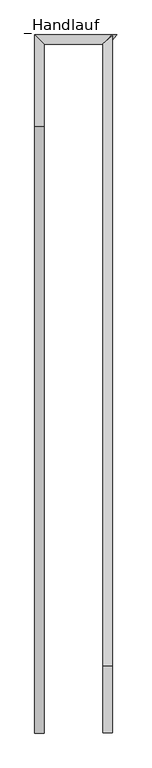
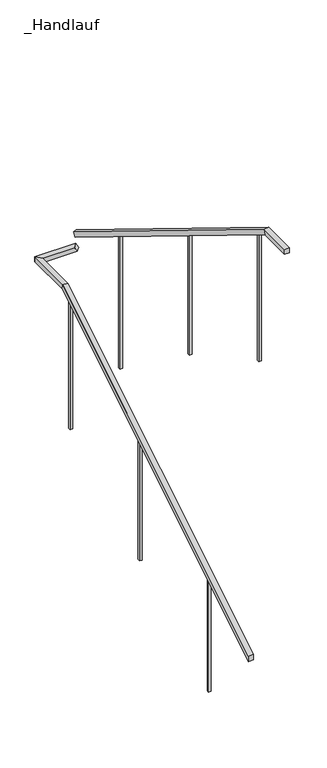
"""IFC4 building model written with IfcOpenShell, lengths in millimetres: railing geometry, _Handlauf."""

import ifcopenshell
import ifcopenshell.guid

model = None  # the IFC model being written
_history = None  # IfcOwnerHistory: only IFC2X3 demands one
_inside = {}  # id of a spatial element -> (the spatial element, [elements in it])
_under = {}  # id of a project, library or spatial element -> (it, [spatial elements below it])
_declared = {}  # id of a project -> (the project, [libraries it declares])
_typed = {}  # id of a type object -> (the type object, [elements of that type])
_made_of = {}  # id of a material, layer set ... -> (it, [elements and type objects made of it])


def new_model(schema):
    """Start an empty IFC model of exactly this schema.

    Asked for "IFC4X3", IfcOpenShell would pick the latest addendum, in which some entities
    have other attributes; the version numbers below select the first issue.
    IFC2X3 requires an IfcOwnerHistory on every rooted entity: one is made here for all.
    """
    global model, _history
    if schema == "IFC4X3":
        model = ifcopenshell.file(schema_version=(4, 3, 0, 0))
    else:
        model = ifcopenshell.file(schema=schema)
    _inside.clear()
    _under.clear()
    _declared.clear()
    _typed.clear()
    _made_of.clear()
    _history = None
    if model.schema == "IFC2X3":
        org = make("IfcOrganization", Name="unknown")
        user = make(
            "IfcPersonAndOrganization",
            ThePerson=make("IfcPerson", FamilyName="unknown"),
            TheOrganization=org,
        )
        app = make(
            "IfcApplication",
            ApplicationDeveloper=org,
            Version="unknown",
            ApplicationFullName="unknown",
            ApplicationIdentifier="unknown",
        )
        _history = make(
            "IfcOwnerHistory",
            OwningUser=user,
            OwningApplication=app,
            ChangeAction="ADDED",
            CreationDate=0,
        )
    return model


def make(cls, **values):
    """One entity of the class cls with the attributes given. An attribute that is None is left unset."""
    return model.create_entity(
        cls, **{name: value for name, value in values.items() if value is not None}
    )


def rooted(cls, **values):
    """An entity with a GlobalId (a new one), such as an element, a storey or a relation."""
    return make(cls, GlobalId=ifcopenshell.guid.new(), OwnerHistory=_history, **values)


def si_unit(unit_type, name, prefix=None):
    """IfcSIUnit, for example si_unit("LENGTHUNIT", "METRE", prefix="MILLI")."""
    return make("IfcSIUnit", UnitType=unit_type, Prefix=prefix, Name=name)


def assignment(units):
    """IfcUnitAssignment: the units of a project."""
    return None if units is None else make("IfcUnitAssignment", Units=units)


def point(xyz):
    """IfcCartesianPoint."""
    return None if xyz is None else make("IfcCartesianPoint", Coordinates=xyz)


def direction(xyz):
    """IfcDirection."""
    return None if xyz is None else make("IfcDirection", DirectionRatios=xyz)


def frame(location, z_axis=None, x_axis=None):
    """IfcAxis2Placement3D, a coordinate frame: its origin and axes. An axis left out is left unset."""
    return make(
        "IfcAxis2Placement3D",
        Location=point(location),
        Axis=direction(z_axis),
        RefDirection=direction(x_axis),
    )


def origin():
    """The frame at (0, 0, 0) with its axes left unset."""
    return frame((0.0, 0.0, 0.0))


def place(relative_to, where):
    """IfcLocalPlacement: puts the frame where relative to a parent placement (None: the world)."""
    return make(
        "IfcLocalPlacement", PlacementRelTo=relative_to, RelativePlacement=where
    )


def context(
    kind, dimensions, precision=None, world=None, true_north=None, identifier=None
):
    """IfcGeometricRepresentationContext, for example the 3D "Model" context."""
    return make(
        "IfcGeometricRepresentationContext",
        ContextIdentifier=identifier,
        ContextType=kind,
        CoordinateSpaceDimension=dimensions,
        Precision=precision,
        WorldCoordinateSystem=world,
        TrueNorth=true_north,
    )


def project(units=None, contexts=None):
    """IfcProject with its units and contexts."""
    return rooted(
        "IfcProject",
        Name="project",
        RepresentationContexts=contexts,
        UnitsInContext=assignment(units),
    )


def spatial(cls, under=None, at=None, **own):
    """A site, building, storey or space (cls), placed at a placement, below another one or the project."""
    s = rooted(cls, ObjectPlacement=at, **own)
    if under is not None:
        _under.setdefault(under.id(), (under, []))[1].append(s)
    return s


def polyline(points):
    """IfcPolyline through the points."""
    return make("IfcPolyline", Points=[point(p) for p in points])


def outline(outer, holes=None, kind="AREA"):
    """IfcArbitraryClosedProfileDef: a profile drawn as a closed curve; with holes, ...WithVoids."""
    if holes is None:
        return make("IfcArbitraryClosedProfileDef", ProfileType=kind, OuterCurve=outer)
    return make(
        "IfcArbitraryProfileDefWithVoids",
        ProfileType=kind,
        OuterCurve=outer,
        InnerCurves=holes,
    )


def extrude(swept, where, along, depth):
    """IfcExtrudedAreaSolid: the profile swept, set in the frame where, extruded along a direction by depth."""
    return make(
        "IfcExtrudedAreaSolid",
        SweptArea=swept,
        Position=where,
        ExtrudedDirection=direction(along),
        Depth=depth,
    )


def faces_of(points, faces, orient=None, outer=None):
    """IfcFace entities. A face is a list of loops; a loop is a list of indices into points, from 0.

    orient and outer hold one flag for each loop. By default every Orientation is true, the
    first loop of a face is its IfcFaceOuterBound and the others are IfcFaceBound.
    """
    made = []
    for i, loops in enumerate(faces):
        bounds = []
        for j, loop in enumerate(loops):
            is_outer = j == 0 if outer is None else outer[i][j]
            bounds.append(
                make(
                    "IfcFaceOuterBound" if is_outer else "IfcFaceBound",
                    Bound=make("IfcPolyLoop", Polygon=[points[k] for k in loop]),
                    Orientation=True if orient is None else orient[i][j],
                )
            )
        made.append(make("IfcFace", Bounds=bounds))
    return made


def faceted_brep(points, faces, orient=None, outer=None, voids=None):
    """IfcFacetedBrep: a solid bounded by flat faces; with voids (closed shells), ...WithVoids."""
    shared = [point(p) for p in points]
    hull = make("IfcClosedShell", CfsFaces=faces_of(shared, faces, orient, outer))
    if voids is None:
        return make("IfcFacetedBrep", Outer=hull)
    return make(
        "IfcFacetedBrepWithVoids",
        Outer=hull,
        Voids=[
            make(cls, CfsFaces=faces_of(shared, fs, o, b)) for cls, fs, o, b in voids
        ],
    )


def shape(context_of_items, identifier, shape_type, items):
    """IfcShapeRepresentation: the items that make up one representation, for example the "Body"."""
    return make(
        "IfcShapeRepresentation",
        ContextOfItems=context_of_items,
        RepresentationIdentifier=identifier,
        RepresentationType=shape_type,
        Items=items,
    )


def source(mapping_origin, context_of_items, identifier, shape_type, items):
    """IfcRepresentationMap: a shape defined once, which mapped items show again and again."""
    return make(
        "IfcRepresentationMap",
        MappingOrigin=mapping_origin,
        MappedRepresentation=shape(context_of_items, identifier, shape_type, items),
    )


def transform(
    local_origin,
    x_axis=None,
    y_axis=None,
    z_axis=None,
    scale=None,
    scale2=None,
    scale3=None,
    uniform=True,
):
    """IfcCartesianTransformationOperator3D, or its non-uniform kind. x_axis, y_axis, z_axis: its Axis1, 2, 3."""
    if uniform:
        return make(
            "IfcCartesianTransformationOperator3D",
            Axis1=direction(x_axis),
            Axis2=direction(y_axis),
            LocalOrigin=point(local_origin),
            Scale=scale,
            Axis3=direction(z_axis),
        )
    return make(
        "IfcCartesianTransformationOperator3DnonUniform",
        Axis1=direction(x_axis),
        Axis2=direction(y_axis),
        LocalOrigin=point(local_origin),
        Scale=scale,
        Axis3=direction(z_axis),
        Scale2=scale2,
        Scale3=scale3,
    )


def mapped(mapping_source, mapping_target):
    """IfcMappedItem: shows the shape of a source again, moved by a transform."""
    return make(
        "IfcMappedItem", MappingSource=mapping_source, MappingTarget=mapping_target
    )


def made_of(thing, what):
    """Note that an element or type object is made of a material, layer set ...; save() writes the relation."""
    if what is not None:
        _made_of.setdefault(what.id(), (what, []))[1].append(thing)
    return thing


def element(
    cls,
    number,
    at=None,
    inside=None,
    cuts=None,
    type_object=None,
    material=None,
    context=None,
    identifier="Body",
    shape_type=None,
    held_by="IfcProductDefinitionShape",
    body=None,
    shapes=None,
    **own,
):
    """One element of the class cls, such as IfcWall. Its Tag is "e" and its number.

    at: its placement. inside: the storey or other place that contains it. cuts: it is an
    opening in that element (IfcRelVoidsElement). A single representation is given by context,
    identifier, shape_type and body (its items); several are given by shapes. held_by: the class
    of the entity that holds the representations. save() writes the other relations.
    """
    e = rooted(cls, Tag="e%d" % number, ObjectPlacement=at, **own)
    if body is not None:
        shapes = [shape(context, identifier, shape_type, body)]
    if shapes is not None:
        e.Representation = make(held_by, Representations=shapes)
    if inside is not None:
        _inside.setdefault(inside.id(), (inside, []))[1].append(e)
    if cuts is not None:
        rooted(
            "IfcRelVoidsElement", RelatingBuildingElement=cuts, RelatedOpeningElement=e
        )
    if type_object is not None:
        _typed.setdefault(type_object.id(), (type_object, []))[1].append(e)
    return made_of(e, material)


def aggregate(whole, parts):
    """IfcRelAggregates: a whole, such as a stair, and the parts it consists of."""
    return rooted("IfcRelAggregates", RelatingObject=whole, RelatedObjects=parts)


def save(model, path):
    """Write the relations noted so far, then the file.

    IfcRelAggregates (storeys below a building ...), IfcRelContainedInSpatialStructure (elements
    in a storey), IfcRelDefinesByType, IfcRelAssociatesMaterial and IfcRelDeclares: one each for
    every whole, place, type object, material and project.
    """
    for whole, parts in _under.values():
        aggregate(whole, parts)
    for where, things in _inside.values():
        rooted(
            "IfcRelContainedInSpatialStructure",
            RelatedElements=things,
            RelatingStructure=where,
        )
    for kind, things in _typed.values():
        rooted("IfcRelDefinesByType", RelatedObjects=things, RelatingType=kind)
    for what, things in _made_of.values():
        rooted("IfcRelAssociatesMaterial", RelatedObjects=things, RelatingMaterial=what)
    for by, libraries in _declared.values():
        rooted("IfcRelDeclares", RelatingContext=by, RelatedDefinitions=libraries)
    model.write(path)


def handlauf_f5c6de86(model_context):
    return source(origin(), model_context, "Body", "SolidModel", [
        faceted_brep([(12142.2, 3985.4, 4675.0), (12102.2, 3985.4, 4675.0), (12102.2, 3985.4, 4628.0610765), (12142.2, 3985.4, 4628.0610765), (12142.2, 6550.4, 6250.0), (12102.2, 6550.4, 6250.0), (12102.2, 6561.7005326, 6210.0), (12142.2, 6561.7005326, 6210.0), (12142.2, 6897.8, 6250.0), (12142.2, 6897.8, 6210.0), (12102.2, 6937.8, 6210.0), (12102.2, 6937.8, 6250.0)], [[[0, 1, 2, 3]], [[1, 0, 4, 5]], [[2, 1, 5, 6]], [[3, 2, 6, 7]], [[0, 3, 7, 4]], [[8, 9, 10, 11]], [[5, 4, 8, 11]], [[6, 5, 11, 10]], [[7, 6, 10, 9]], [[4, 7, 9, 8]]]),
        faceted_brep([(12142.2, 6897.8, 6250.0), (12102.2, 6937.8, 6250.0), (12102.2, 6937.8, 6210.0), (12142.2, 6897.8, 6210.0), (12394.9565755, 6897.8, 6250.0), (12415.8870968, 6897.8, 6210.0), (12449.9739458, 6937.8, 6210.0), (12429.0434245, 6937.8, 6250.0)], [[[0, 1, 2, 3]], [[4, 5, 6, 7]], [[1, 0, 4, 7]], [[2, 1, 7, 6]], [[3, 2, 6, 5]], [[0, 3, 5, 4]]]),
        faceted_brep([(12392.0, 6900.7565755, 6384.8687694), (12432.0, 6934.8434245, 6363.9382481), (12432.0, 6913.9129032, 6329.8513991), (12392.0, 6879.8260542, 6350.7819204), (12392.0, 4270.4, 8000.0), (12432.0, 4270.4, 8000.0), (12432.0, 4259.0994674, 7960.0), (12392.0, 4259.0994674, 7960.0), (12392.0, 3985.4, 8000.0), (12392.0, 3985.4, 7960.0), (12432.0, 3985.4, 7960.0), (12432.0, 3985.4, 8000.0)], [[[0, 1, 2, 3]], [[1, 0, 4, 5]], [[2, 1, 5, 6]], [[3, 2, 6, 7]], [[0, 3, 7, 4]], [[8, 9, 10, 11]], [[5, 4, 8, 11]], [[6, 5, 11, 10]], [[7, 6, 10, 9]], [[4, 7, 9, 8]]]),
        extrude(outline(polyline([(4378.7866667, 7893.4467836), (4378.7866667, 6825.0), (4358.7866667, 6825.0), (4358.7866667, 7905.7274854), (4378.7866667, 7893.4467836)])), frame((12402.0, 0.0, 0.0), z_axis=(1.0, 0.0, 0.0), x_axis=(0.0, 1.0, 0.0)), (0.0, 0.0, 1.0), 20.0),
        extrude(outline(polyline([(5337.2533333, 7304.9146199), (5337.2533333, 6300.0), (5317.2533333, 6300.0), (5317.2533333, 7317.1953216), (5337.2533333, 7304.9146199)])), frame((12402.0, 0.0, 0.0), z_axis=(1.0, 0.0, 0.0), x_axis=(0.0, 1.0, 0.0)), (0.0, 0.0, 1.0), 20.0),
        extrude(outline(polyline([(6295.72, 6716.3824561), (6295.72, 5600.0), (6275.72, 5600.0), (6275.72, 6728.6631579), (6295.72, 6716.3824561)])), frame((12402.0, 0.0, 0.0), z_axis=(1.0, 0.0, 0.0), x_axis=(0.0, 1.0, 0.0)), (0.0, 0.0, 1.0), 20.0),
        extrude(outline(polyline([(6467.4133333, 5075.0), (6467.4133333, 6159.0432749), (6487.4133333, 6171.3239766), (6487.4133333, 5075.0), (6467.4133333, 5075.0)])), frame((12112.2, 0.0, 0.0), z_axis=(1.0, 0.0, 0.0), x_axis=(0.0, 1.0, 0.0)), (0.0, 0.0, 1.0), 20.0),
        extrude(outline(polyline([(5508.9466667, 4550.0), (5508.9466667, 5570.5111111), (5528.9466667, 5582.7918129), (5528.9466667, 4550.0), (5508.9466667, 4550.0)])), frame((12112.2, 0.0, 0.0), z_axis=(1.0, 0.0, 0.0), x_axis=(0.0, 1.0, 0.0)), (0.0, 0.0, 1.0), 20.0),
        extrude(outline(polyline([(4550.48, 4025.0), (4550.48, 4981.9789474), (4570.48, 4994.2596491), (4570.48, 4025.0), (4550.48, 4025.0)])), frame((12112.2, 0.0, 0.0), z_axis=(1.0, 0.0, 0.0), x_axis=(0.0, 1.0, 0.0)), (0.0, 0.0, 1.0), 20.0),
    ])


if __name__ == "__main__":
    model = new_model("IFC4")
    model_context = context("Model", 3, world=origin())
    ifc_project = project(units=[si_unit("LENGTHUNIT", "METRE", prefix="MILLI")], contexts=[model_context])
    site = spatial("IfcSite", under=ifc_project)
    building = spatial("IfcBuilding", under=site)
    placement = place(None, origin())
    handlauf_shape = handlauf_f5c6de86(model_context)
    element("IfcRailing", 1, ObjectType="_Handlauf", at=placement, inside=building, context=model_context, shape_type="MappedRepresentation", body=[
        mapped(handlauf_shape, transform((0.0, 0.0, 0.0), x_axis=(1.0, 0.0, 0.0), y_axis=(0.0, 1.0, 0.0), z_axis=(0.0, 0.0, 1.0))),
    ])
    save(model, "model.ifc")
